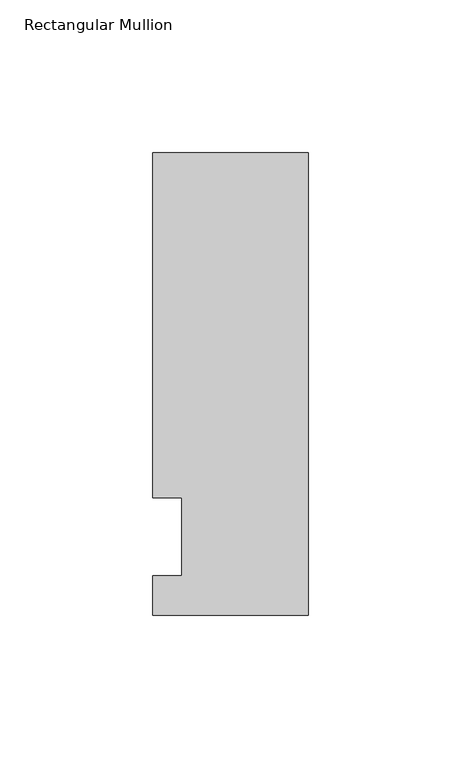
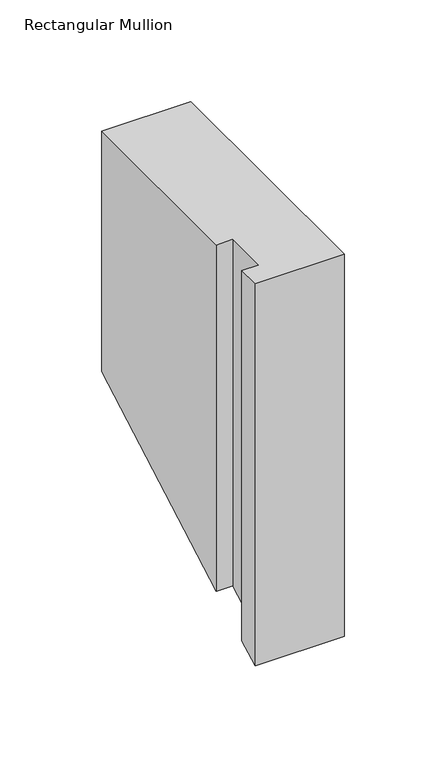
"""IFC4 building model written with IfcOpenShell, lengths in millimetres: member geometry, Rectangular Mullion."""

from ifc_helpers import new_model, si_unit, origin, place, context, project, spatial, faceted_brep, source, transform, mapped, element, save


def rectangular_mullion_2c7f2847(model_context):
    return source(origin(), model_context, "Body", "Brep", [
        faceted_brep([(-50.8, -25.5984375, 0.0), (0.0, -25.5984375, 0.0), (0.0, 125.6109375, 0.0), (-50.8, 125.6109375, 0.0), (-50.8, 12.7, 0.0), (-41.275, 12.7, 0.0), (-41.275, -12.7, 0.0), (-50.8, -12.7, 0.0), (-50.8, -25.5984375, -230.1001041), (0.0, -25.5984375, -230.1001041), (0.0, 125.6109375, -144.549956), (-50.8, 125.6109375, -144.549956), (-50.8, 12.7, -208.4318908), (-41.275, 12.7, -208.4318908), (-41.275, -12.7, -222.8025193), (-50.8, -12.7, -222.8025193)], [[[0, 1, 2, 3, 4, 5, 6, 7]], [[1, 0, 8, 9]], [[2, 1, 9, 10]], [[3, 2, 10, 11]], [[4, 3, 11, 12]], [[5, 4, 12, 13]], [[6, 5, 13, 14]], [[7, 6, 14, 15]], [[0, 7, 15, 8]], [[8, 15, 14, 13, 12, 11, 10, 9]]]),
    ])


if __name__ == "__main__":
    model = new_model("IFC4")
    model_context = context("Model", 3, world=origin())
    ifc_project = project(units=[si_unit("LENGTHUNIT", "METRE", prefix="MILLI")], contexts=[model_context])
    site = spatial("IfcSite", under=ifc_project)
    building = spatial("IfcBuilding", under=site)
    placement = place(None, origin())
    rectangular_mullion_shape = rectangular_mullion_2c7f2847(model_context)
    element("IfcMember", 1, ObjectType="Rectangular Mullion", at=placement, inside=building, context=model_context, shape_type="MappedRepresentation", body=[
        mapped(rectangular_mullion_shape, transform((0.0, 0.0, 0.0), x_axis=(1.0, 0.0, 0.0), y_axis=(0.0, 1.0, 0.0), z_axis=(0.0, 0.0, 1.0))),
    ])
    save(model, "model.ifc")
